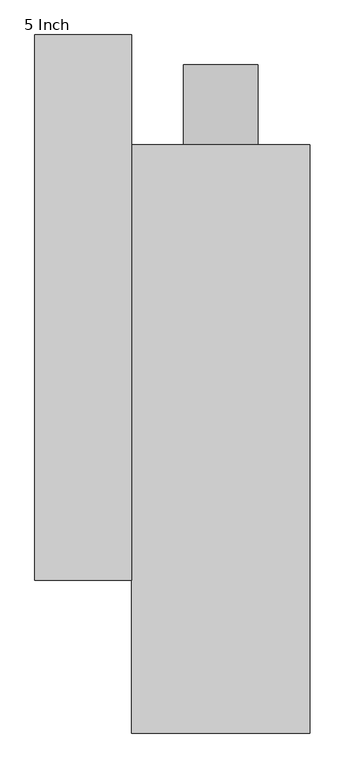
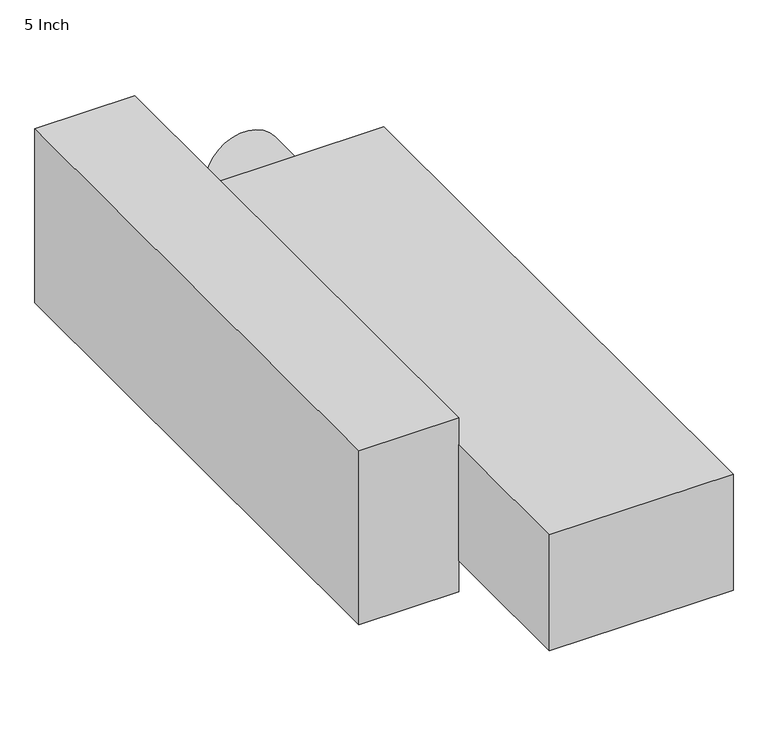
"""IFC4 building model written with IfcOpenShell, lengths in millimetres: proxy geometry, 5 Inch."""

from ifc_helpers import new_model, si_unit, point, frame, origin, origin_2d, place, context, project, spatial, polyline, circle_curve, trimmed, segment, composite_curve, outline, extrude, source, transform, mapped, element, save


def proxy_5_inch_9e331305(model_context):
    return source(origin(), model_context, "Body", "SweptSolid", [
        extrude(outline(polyline([(-317.5, -241.3), (-317.5, 688.975), (-152.4, 688.975), (-152.4, -241.3), (-317.5, -241.3)])), frame((0.0, 0.0, -155.575), z_axis=(0.0, 0.0, 1.0), x_axis=(1.0, 0.0, 0.0)), (0.0, 0.0, 1.0), 304.8),
        extrude(outline(composite_curve([segment(trimmed(circle_curve(origin_2d(), 63.5), [point((0.0, -63.5))], [point((0.0, 63.5))], False, "CARTESIAN"), True, "CONTINUOUS"), segment(trimmed(circle_curve(origin_2d(), 63.5), [point((0.0, 63.5))], [point((0.0, -63.5))], False, "CARTESIAN"), True, "CONTINUOUS")], self_intersect=False)), frame((0.0, 501.65, 0.0), z_axis=(0.0, 1.0, 0.0), x_axis=(0.0, 0.0, 1.0)), (0.0, 0.0, 1.0), 136.525),
        extrude(outline(polyline([(152.4, -501.65), (-152.4, -501.65), (-152.4, 501.65), (152.4, 501.65), (152.4, -501.65)])), frame((0.0, 0.0, -101.6), z_axis=(0.0, 0.0, 1.0), x_axis=(1.0, 0.0, 0.0)), (0.0, 0.0, 1.0), 203.2),
    ])


if __name__ == "__main__":
    model = new_model("IFC4")
    model_context = context("Model", 3, world=origin())
    ifc_project = project(units=[si_unit("LENGTHUNIT", "METRE", prefix="MILLI")], contexts=[model_context])
    site = spatial("IfcSite", under=ifc_project)
    building = spatial("IfcBuilding", under=site)
    placement = place(None, origin())
    proxy_5_inch_shape = proxy_5_inch_9e331305(model_context)
    element("IfcBuildingElementProxy", 1, Name="5 Inch", ObjectType="5 Inch", at=placement, inside=building, context=model_context, shape_type="MappedRepresentation", body=[
        mapped(proxy_5_inch_shape, transform((0.0, 0.0, 0.0), x_axis=(1.0, 0.0, 0.0), y_axis=(0.0, 1.0, 0.0), z_axis=(0.0, 0.0, 1.0))),
    ])
    save(model, "model.ifc")
